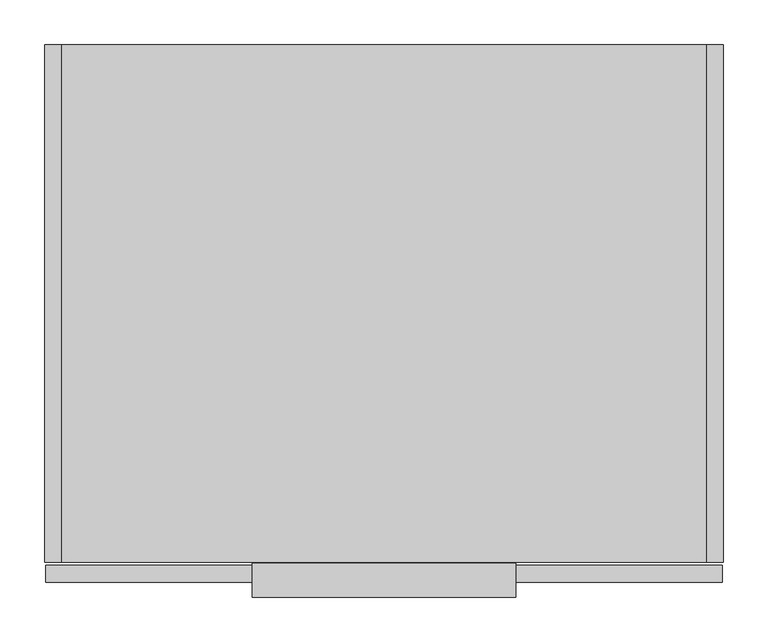
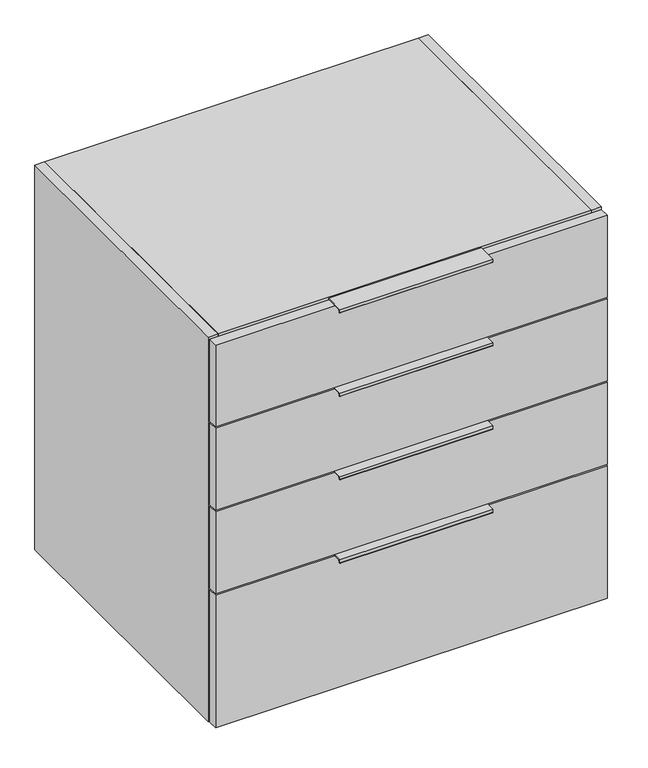
"""IFC4 building model written with IfcOpenShell, lengths in millimetres: furniture geometry."""

from ifc_helpers import new_model, si_unit, point, frame, frame_2d, origin, place, context, project, spatial, polyline, circle_curve, trimmed, segment, composite_curve, outline, extrude, source, transform, mapped, element, save


def furniture_21847f34(model_context):
    return source(origin(), model_context, "Body", "SweptSolid", [
        extrude(outline(composite_curve([segment(polyline([(-582.1095617, 374.7276), (-582.1095617, 355.2276), (-584.2, 355.2276), (-584.2, 373.2276), (-616.8685141, 373.2276), (-618.1436358, 368.468781)]), True, "CONTINUOUS"), segment(trimmed(circle_curve(frame_2d((-619.1095617, 368.7276)), 1.0), [point((-618.1436358, 368.468781))], [point((-620.1095617, 368.7276))], False, "CARTESIAN"), True, "CONTINUOUS"), segment(polyline([(-620.1095617, 368.7276), (-620.1095617, 374.7276), (-582.1095617, 374.7276)]), True, "CONTINUOUS")], self_intersect=False)), frame((232.9942, 0.0, 0.0), z_axis=(1.0, 0.0, 0.0), x_axis=(0.0, 1.0, 0.0)), (0.0, 0.0, 1.0), 296.0116),
        extrude(outline(composite_curve([segment(polyline([(-582.1095617, 887.325), (-582.1095617, 867.825), (-584.2, 867.825), (-584.2, 885.825), (-616.8685141, 885.825), (-618.1436358, 881.066181)]), True, "CONTINUOUS"), segment(trimmed(circle_curve(frame_2d((-619.1095617, 881.325)), 1.0), [point((-618.1436358, 881.066181))], [point((-620.1095617, 881.325))], False, "CARTESIAN"), True, "CONTINUOUS"), segment(polyline([(-620.1095617, 881.325), (-620.1095617, 887.325), (-582.1095617, 887.325)]), True, "CONTINUOUS")], self_intersect=False)), frame((232.9942, 0.0, 0.0), z_axis=(1.0, 0.0, 0.0), x_axis=(0.0, 1.0, 0.0)), (0.0, 0.0, 1.0), 296.0116),
        extrude(outline(composite_curve([segment(polyline([(-582.1095617, 716.4592), (-582.1095617, 696.9592), (-584.2, 696.9592), (-584.2, 714.9592), (-616.8685141, 714.9592), (-618.1436358, 710.200381)]), True, "CONTINUOUS"), segment(trimmed(circle_curve(frame_2d((-619.1095617, 710.4592)), 1.0), [point((-618.1436358, 710.200381))], [point((-620.1095617, 710.4592))], False, "CARTESIAN"), True, "CONTINUOUS"), segment(polyline([(-620.1095617, 710.4592), (-620.1095617, 716.4592), (-582.1095617, 716.4592)]), True, "CONTINUOUS")], self_intersect=False)), frame((232.9942, 0.0, 0.0), z_axis=(1.0, 0.0, 0.0), x_axis=(0.0, 1.0, 0.0)), (0.0, 0.0, 1.0), 296.0116),
        extrude(outline(composite_curve([segment(polyline([(-582.1095617, 545.5934), (-582.1095617, 526.0934), (-584.2, 526.0934), (-584.2, 544.0934), (-616.8685141, 544.0934), (-618.1436358, 539.334581)]), True, "CONTINUOUS"), segment(trimmed(circle_curve(frame_2d((-619.1095617, 539.5934)), 1.0), [point((-618.1436358, 539.334581))], [point((-620.1095617, 539.5934))], False, "CARTESIAN"), True, "CONTINUOUS"), segment(polyline([(-620.1095617, 539.5934), (-620.1095617, 545.5934), (-582.1095617, 545.5934)]), True, "CONTINUOUS")], self_intersect=False)), frame((232.9942, 0.0, 0.0), z_axis=(1.0, 0.0, 0.0), x_axis=(0.0, 1.0, 0.0)), (0.0, 0.0, 1.0), 296.0116),
        extrude(outline(polyline([(742.696, 0.0), (742.696, -19.304), (19.304, -19.304), (19.304, 0.0), (742.696, 0.0)])), frame((0.0, 0.0, 101.6), z_axis=(0.0, 0.0, 1.0), x_axis=(1.0, 0.0, 0.0)), (0.0, 0.0, 1.0), 768.096),
        extrude(outline(polyline([(742.696, -581.025), (19.304, -581.025), (19.304, -19.304), (742.696, -19.304), (742.696, -581.025)])), frame((0.0, 0.0, 101.6), z_axis=(0.0, 0.0, 1.0), x_axis=(1.0, 0.0, 0.0)), (0.0, 0.0, 1.0), 19.304),
        extrude(outline(polyline([(742.696, -581.025), (19.304, -581.025), (19.304, 0.0), (742.696, 0.0), (742.696, -581.025)])), frame((0.0, 0.0, 869.696), z_axis=(0.0, 0.0, 1.0), x_axis=(1.0, 0.0, 0.0)), (0.0, 0.0, 1.0), 19.304),
        extrude(outline(polyline([(19.304, 0.0), (19.304, -581.025), (0.0, -581.025), (0.0, 0.0), (19.304, 0.0)])), frame((0.0, 0.0, 101.6), z_axis=(0.0, 0.0, 1.0), x_axis=(1.0, 0.0, 0.0)), (0.0, 0.0, 1.0), 787.4),
        extrude(outline(polyline([(742.696, 0.0), (762.0, 0.0), (762.0, -581.025), (742.696, -581.025), (742.696, 0.0)])), frame((0.0, 0.0, 101.6), z_axis=(0.0, 0.0, 1.0), x_axis=(1.0, 0.0, 0.0)), (0.0, 0.0, 1.0), 787.4),
        extrude(outline(polyline([(760.4125, -603.504), (1.5875, -603.504), (1.5875, -584.2), (760.4125, -584.2), (760.4125, -603.504)])), frame((0.0, 0.0, 718.1342), z_axis=(0.0, 0.0, 1.0), x_axis=(1.0, 0.0, 0.0)), (0.0, 0.0, 1.0), 167.6908),
        extrude(outline(polyline([(760.4125, -603.504), (1.5875, -603.504), (1.5875, -584.2), (760.4125, -584.2), (760.4125, -603.504)])), frame((0.0, 0.0, 547.2684), z_axis=(0.0, 0.0, 1.0), x_axis=(1.0, 0.0, 0.0)), (0.0, 0.0, 1.0), 167.6908),
        extrude(outline(polyline([(760.4125, -603.504), (1.5875, -603.504), (1.5875, -584.2), (760.4125, -584.2), (760.4125, -603.504)])), frame((0.0, 0.0, 376.4026), z_axis=(0.0, 0.0, 1.0), x_axis=(1.0, 0.0, 0.0)), (0.0, 0.0, 1.0), 167.6908),
        extrude(outline(polyline([(760.4125, -603.504), (1.5875, -603.504), (1.5875, -584.2), (760.4125, -584.2), (760.4125, -603.504)])), frame((0.0, 0.0, 101.6), z_axis=(0.0, 0.0, 1.0), x_axis=(1.0, 0.0, 0.0)), (0.0, 0.0, 1.0), 271.6276),
    ])


if __name__ == "__main__":
    model = new_model("IFC4")
    model_context = context("Model", 3, world=origin())
    ifc_project = project(units=[si_unit("LENGTHUNIT", "METRE", prefix="MILLI")], contexts=[model_context])
    site = spatial("IfcSite", under=ifc_project)
    building = spatial("IfcBuilding", under=site)
    placement = place(None, origin())
    furniture_shape = furniture_21847f34(model_context)
    element("IfcFurniture", 1, at=placement, inside=building, context=model_context, shape_type="MappedRepresentation", body=[
        mapped(furniture_shape, transform((0.0, 0.0, 0.0), x_axis=(1.0, 0.0, 0.0), y_axis=(0.0, 1.0, 0.0), z_axis=(0.0, 0.0, 1.0))),
    ])
    save(model, "model.ifc")
